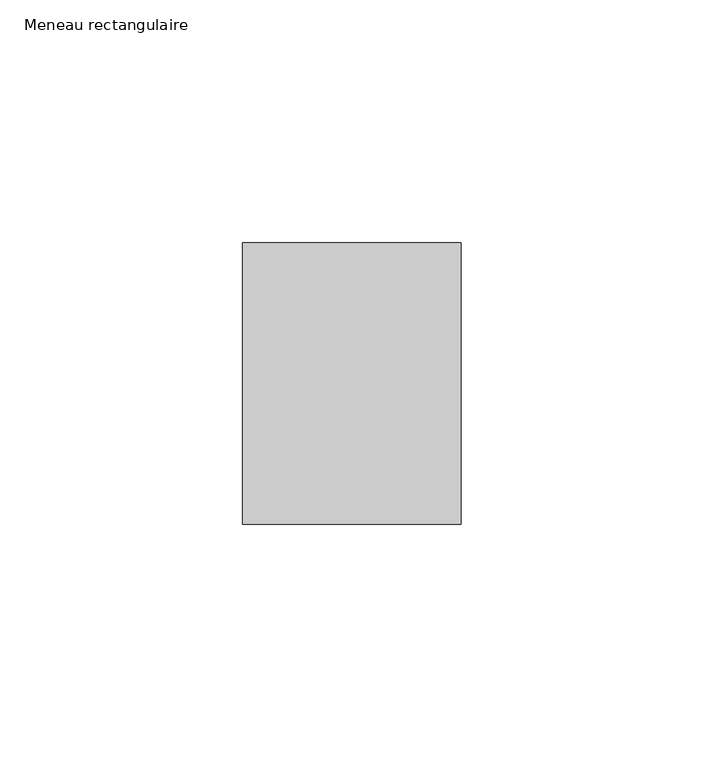
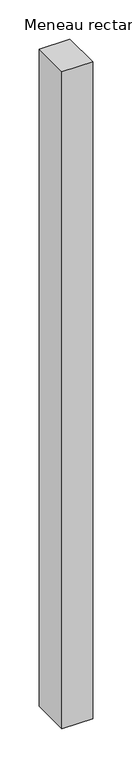
"""IFC4 building model written with IfcOpenShell, lengths in millimetres: member geometry, Meneau rectangulaire."""

import ifcopenshell
import ifcopenshell.guid

model = None  # the IFC model being written
_history = None  # IfcOwnerHistory: only IFC2X3 demands one
_inside = {}  # id of a spatial element -> (the spatial element, [elements in it])
_under = {}  # id of a project, library or spatial element -> (it, [spatial elements below it])
_declared = {}  # id of a project -> (the project, [libraries it declares])
_typed = {}  # id of a type object -> (the type object, [elements of that type])
_made_of = {}  # id of a material, layer set ... -> (it, [elements and type objects made of it])


def new_model(schema):
    """Start an empty IFC model of exactly this schema.

    Asked for "IFC4X3", IfcOpenShell would pick the latest addendum, in which some entities
    have other attributes; the version numbers below select the first issue.
    IFC2X3 requires an IfcOwnerHistory on every rooted entity: one is made here for all.
    """
    global model, _history
    if schema == "IFC4X3":
        model = ifcopenshell.file(schema_version=(4, 3, 0, 0))
    else:
        model = ifcopenshell.file(schema=schema)
    _inside.clear()
    _under.clear()
    _declared.clear()
    _typed.clear()
    _made_of.clear()
    _history = None
    if model.schema == "IFC2X3":
        org = make("IfcOrganization", Name="unknown")
        user = make(
            "IfcPersonAndOrganization",
            ThePerson=make("IfcPerson", FamilyName="unknown"),
            TheOrganization=org,
        )
        app = make(
            "IfcApplication",
            ApplicationDeveloper=org,
            Version="unknown",
            ApplicationFullName="unknown",
            ApplicationIdentifier="unknown",
        )
        _history = make(
            "IfcOwnerHistory",
            OwningUser=user,
            OwningApplication=app,
            ChangeAction="ADDED",
            CreationDate=0,
        )
    return model


def make(cls, **values):
    """One entity of the class cls with the attributes given. An attribute that is None is left unset."""
    return model.create_entity(
        cls, **{name: value for name, value in values.items() if value is not None}
    )


def rooted(cls, **values):
    """An entity with a GlobalId (a new one), such as an element, a storey or a relation."""
    return make(cls, GlobalId=ifcopenshell.guid.new(), OwnerHistory=_history, **values)


def si_unit(unit_type, name, prefix=None):
    """IfcSIUnit, for example si_unit("LENGTHUNIT", "METRE", prefix="MILLI")."""
    return make("IfcSIUnit", UnitType=unit_type, Prefix=prefix, Name=name)


def assignment(units):
    """IfcUnitAssignment: the units of a project."""
    return None if units is None else make("IfcUnitAssignment", Units=units)


def point(xyz):
    """IfcCartesianPoint."""
    return None if xyz is None else make("IfcCartesianPoint", Coordinates=xyz)


def direction(xyz):
    """IfcDirection."""
    return None if xyz is None else make("IfcDirection", DirectionRatios=xyz)


def frame(location, z_axis=None, x_axis=None):
    """IfcAxis2Placement3D, a coordinate frame: its origin and axes. An axis left out is left unset."""
    return make(
        "IfcAxis2Placement3D",
        Location=point(location),
        Axis=direction(z_axis),
        RefDirection=direction(x_axis),
    )


def origin():
    """The frame at (0, 0, 0) with its axes left unset."""
    return frame((0.0, 0.0, 0.0))


def place(relative_to, where):
    """IfcLocalPlacement: puts the frame where relative to a parent placement (None: the world)."""
    return make(
        "IfcLocalPlacement", PlacementRelTo=relative_to, RelativePlacement=where
    )


def context(
    kind, dimensions, precision=None, world=None, true_north=None, identifier=None
):
    """IfcGeometricRepresentationContext, for example the 3D "Model" context."""
    return make(
        "IfcGeometricRepresentationContext",
        ContextIdentifier=identifier,
        ContextType=kind,
        CoordinateSpaceDimension=dimensions,
        Precision=precision,
        WorldCoordinateSystem=world,
        TrueNorth=true_north,
    )


def project(units=None, contexts=None):
    """IfcProject with its units and contexts."""
    return rooted(
        "IfcProject",
        Name="project",
        RepresentationContexts=contexts,
        UnitsInContext=assignment(units),
    )


def spatial(cls, under=None, at=None, **own):
    """A site, building, storey or space (cls), placed at a placement, below another one or the project."""
    s = rooted(cls, ObjectPlacement=at, **own)
    if under is not None:
        _under.setdefault(under.id(), (under, []))[1].append(s)
    return s


def polyline(points):
    """IfcPolyline through the points."""
    return make("IfcPolyline", Points=[point(p) for p in points])


def outline(outer, holes=None, kind="AREA"):
    """IfcArbitraryClosedProfileDef: a profile drawn as a closed curve; with holes, ...WithVoids."""
    if holes is None:
        return make("IfcArbitraryClosedProfileDef", ProfileType=kind, OuterCurve=outer)
    return make(
        "IfcArbitraryProfileDefWithVoids",
        ProfileType=kind,
        OuterCurve=outer,
        InnerCurves=holes,
    )


def extrude(swept, where, along, depth):
    """IfcExtrudedAreaSolid: the profile swept, set in the frame where, extruded along a direction by depth."""
    return make(
        "IfcExtrudedAreaSolid",
        SweptArea=swept,
        Position=where,
        ExtrudedDirection=direction(along),
        Depth=depth,
    )


def shape(context_of_items, identifier, shape_type, items):
    """IfcShapeRepresentation: the items that make up one representation, for example the "Body"."""
    return make(
        "IfcShapeRepresentation",
        ContextOfItems=context_of_items,
        RepresentationIdentifier=identifier,
        RepresentationType=shape_type,
        Items=items,
    )


def source(mapping_origin, context_of_items, identifier, shape_type, items):
    """IfcRepresentationMap: a shape defined once, which mapped items show again and again."""
    return make(
        "IfcRepresentationMap",
        MappingOrigin=mapping_origin,
        MappedRepresentation=shape(context_of_items, identifier, shape_type, items),
    )


def transform(
    local_origin,
    x_axis=None,
    y_axis=None,
    z_axis=None,
    scale=None,
    scale2=None,
    scale3=None,
    uniform=True,
):
    """IfcCartesianTransformationOperator3D, or its non-uniform kind. x_axis, y_axis, z_axis: its Axis1, 2, 3."""
    if uniform:
        return make(
            "IfcCartesianTransformationOperator3D",
            Axis1=direction(x_axis),
            Axis2=direction(y_axis),
            LocalOrigin=point(local_origin),
            Scale=scale,
            Axis3=direction(z_axis),
        )
    return make(
        "IfcCartesianTransformationOperator3DnonUniform",
        Axis1=direction(x_axis),
        Axis2=direction(y_axis),
        LocalOrigin=point(local_origin),
        Scale=scale,
        Axis3=direction(z_axis),
        Scale2=scale2,
        Scale3=scale3,
    )


def mapped(mapping_source, mapping_target):
    """IfcMappedItem: shows the shape of a source again, moved by a transform."""
    return make(
        "IfcMappedItem", MappingSource=mapping_source, MappingTarget=mapping_target
    )


def made_of(thing, what):
    """Note that an element or type object is made of a material, layer set ...; save() writes the relation."""
    if what is not None:
        _made_of.setdefault(what.id(), (what, []))[1].append(thing)
    return thing


def element(
    cls,
    number,
    at=None,
    inside=None,
    cuts=None,
    type_object=None,
    material=None,
    context=None,
    identifier="Body",
    shape_type=None,
    held_by="IfcProductDefinitionShape",
    body=None,
    shapes=None,
    **own,
):
    """One element of the class cls, such as IfcWall. Its Tag is "e" and its number.

    at: its placement. inside: the storey or other place that contains it. cuts: it is an
    opening in that element (IfcRelVoidsElement). A single representation is given by context,
    identifier, shape_type and body (its items); several are given by shapes. held_by: the class
    of the entity that holds the representations. save() writes the other relations.
    """
    e = rooted(cls, Tag="e%d" % number, ObjectPlacement=at, **own)
    if body is not None:
        shapes = [shape(context, identifier, shape_type, body)]
    if shapes is not None:
        e.Representation = make(held_by, Representations=shapes)
    if inside is not None:
        _inside.setdefault(inside.id(), (inside, []))[1].append(e)
    if cuts is not None:
        rooted(
            "IfcRelVoidsElement", RelatingBuildingElement=cuts, RelatedOpeningElement=e
        )
    if type_object is not None:
        _typed.setdefault(type_object.id(), (type_object, []))[1].append(e)
    return made_of(e, material)


def aggregate(whole, parts):
    """IfcRelAggregates: a whole, such as a stair, and the parts it consists of."""
    return rooted("IfcRelAggregates", RelatingObject=whole, RelatedObjects=parts)


def save(model, path):
    """Write the relations noted so far, then the file.

    IfcRelAggregates (storeys below a building ...), IfcRelContainedInSpatialStructure (elements
    in a storey), IfcRelDefinesByType, IfcRelAssociatesMaterial and IfcRelDeclares: one each for
    every whole, place, type object, material and project.
    """
    for whole, parts in _under.values():
        aggregate(whole, parts)
    for where, things in _inside.values():
        rooted(
            "IfcRelContainedInSpatialStructure",
            RelatedElements=things,
            RelatingStructure=where,
        )
    for kind, things in _typed.values():
        rooted("IfcRelDefinesByType", RelatedObjects=things, RelatingType=kind)
    for what, things in _made_of.values():
        rooted("IfcRelAssociatesMaterial", RelatedObjects=things, RelatingMaterial=what)
    for by, libraries in _declared.values():
        rooted("IfcRelDeclares", RelatingContext=by, RelatedDefinitions=libraries)
    model.write(path)


def meneau_rectangulaire_88163b80(model_context):
    return source(origin(), model_context, "Body", "SweptSolid", [
        extrude(outline(polyline([(-45.0, 29.0), (0.0, 29.0), (0.0, -29.0), (-45.0, -29.0), (-45.0, 29.0)])), frame((0.0, 0.0, -1021.8830686), z_axis=(0.0, 0.0, 1.0), x_axis=(1.0, 0.0, 0.0)), (0.0, 0.0, 1.0), 1021.8830686),
    ])


if __name__ == "__main__":
    model = new_model("IFC4")
    model_context = context("Model", 3, world=origin())
    ifc_project = project(units=[si_unit("LENGTHUNIT", "METRE", prefix="MILLI")], contexts=[model_context])
    site = spatial("IfcSite", under=ifc_project)
    building = spatial("IfcBuilding", under=site)
    placement = place(None, origin())
    meneau_rectangulaire_shape = meneau_rectangulaire_88163b80(model_context)
    element("IfcMember", 1, ObjectType="Meneau rectangulaire", at=placement, inside=building, context=model_context, shape_type="MappedRepresentation", body=[
        mapped(meneau_rectangulaire_shape, transform((0.0, 0.0, 0.0), x_axis=(1.0, 0.0, 0.0), y_axis=(0.0, 1.0, 0.0), z_axis=(0.0, 0.0, 1.0))),
    ])
    save(model, "model.ifc")
